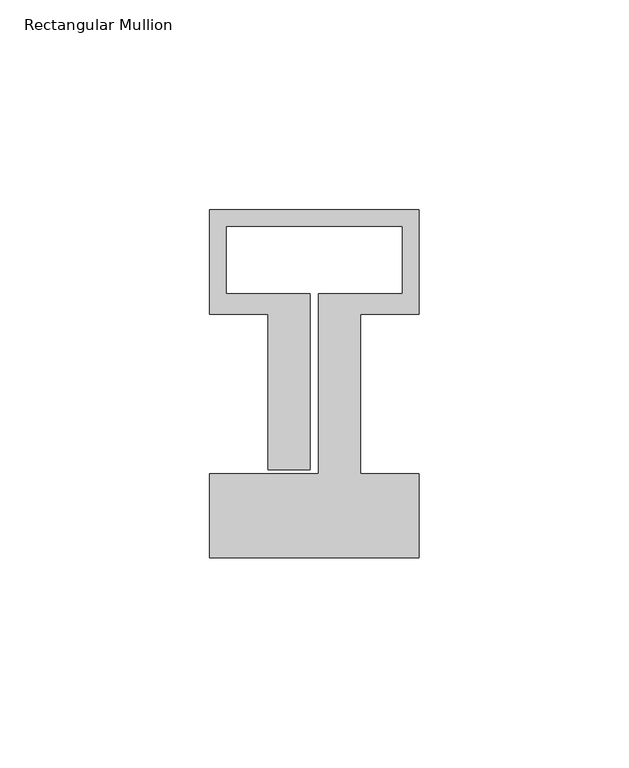
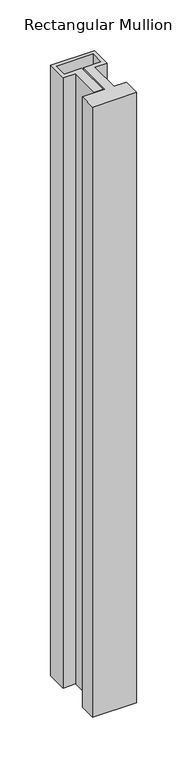
"""IFC4 building model written with IfcOpenShell, lengths in millimetres: member geometry, Rectangular Mullion."""

import ifcopenshell
import ifcopenshell.guid

model = None  # the IFC model being written
_history = None  # IfcOwnerHistory: only IFC2X3 demands one
_inside = {}  # id of a spatial element -> (the spatial element, [elements in it])
_under = {}  # id of a project, library or spatial element -> (it, [spatial elements below it])
_declared = {}  # id of a project -> (the project, [libraries it declares])
_typed = {}  # id of a type object -> (the type object, [elements of that type])
_made_of = {}  # id of a material, layer set ... -> (it, [elements and type objects made of it])


def new_model(schema):
    """Start an empty IFC model of exactly this schema.

    Asked for "IFC4X3", IfcOpenShell would pick the latest addendum, in which some entities
    have other attributes; the version numbers below select the first issue.
    IFC2X3 requires an IfcOwnerHistory on every rooted entity: one is made here for all.
    """
    global model, _history
    if schema == "IFC4X3":
        model = ifcopenshell.file(schema_version=(4, 3, 0, 0))
    else:
        model = ifcopenshell.file(schema=schema)
    _inside.clear()
    _under.clear()
    _declared.clear()
    _typed.clear()
    _made_of.clear()
    _history = None
    if model.schema == "IFC2X3":
        org = make("IfcOrganization", Name="unknown")
        user = make(
            "IfcPersonAndOrganization",
            ThePerson=make("IfcPerson", FamilyName="unknown"),
            TheOrganization=org,
        )
        app = make(
            "IfcApplication",
            ApplicationDeveloper=org,
            Version="unknown",
            ApplicationFullName="unknown",
            ApplicationIdentifier="unknown",
        )
        _history = make(
            "IfcOwnerHistory",
            OwningUser=user,
            OwningApplication=app,
            ChangeAction="ADDED",
            CreationDate=0,
        )
    return model


def make(cls, **values):
    """One entity of the class cls with the attributes given. An attribute that is None is left unset."""
    return model.create_entity(
        cls, **{name: value for name, value in values.items() if value is not None}
    )


def rooted(cls, **values):
    """An entity with a GlobalId (a new one), such as an element, a storey or a relation."""
    return make(cls, GlobalId=ifcopenshell.guid.new(), OwnerHistory=_history, **values)


def si_unit(unit_type, name, prefix=None):
    """IfcSIUnit, for example si_unit("LENGTHUNIT", "METRE", prefix="MILLI")."""
    return make("IfcSIUnit", UnitType=unit_type, Prefix=prefix, Name=name)


def assignment(units):
    """IfcUnitAssignment: the units of a project."""
    return None if units is None else make("IfcUnitAssignment", Units=units)


def point(xyz):
    """IfcCartesianPoint."""
    return None if xyz is None else make("IfcCartesianPoint", Coordinates=xyz)


def direction(xyz):
    """IfcDirection."""
    return None if xyz is None else make("IfcDirection", DirectionRatios=xyz)


def frame(location, z_axis=None, x_axis=None):
    """IfcAxis2Placement3D, a coordinate frame: its origin and axes. An axis left out is left unset."""
    return make(
        "IfcAxis2Placement3D",
        Location=point(location),
        Axis=direction(z_axis),
        RefDirection=direction(x_axis),
    )


def origin():
    """The frame at (0, 0, 0) with its axes left unset."""
    return frame((0.0, 0.0, 0.0))


def place(relative_to, where):
    """IfcLocalPlacement: puts the frame where relative to a parent placement (None: the world)."""
    return make(
        "IfcLocalPlacement", PlacementRelTo=relative_to, RelativePlacement=where
    )


def context(
    kind, dimensions, precision=None, world=None, true_north=None, identifier=None
):
    """IfcGeometricRepresentationContext, for example the 3D "Model" context."""
    return make(
        "IfcGeometricRepresentationContext",
        ContextIdentifier=identifier,
        ContextType=kind,
        CoordinateSpaceDimension=dimensions,
        Precision=precision,
        WorldCoordinateSystem=world,
        TrueNorth=true_north,
    )


def project(units=None, contexts=None):
    """IfcProject with its units and contexts."""
    return rooted(
        "IfcProject",
        Name="project",
        RepresentationContexts=contexts,
        UnitsInContext=assignment(units),
    )


def spatial(cls, under=None, at=None, **own):
    """A site, building, storey or space (cls), placed at a placement, below another one or the project."""
    s = rooted(cls, ObjectPlacement=at, **own)
    if under is not None:
        _under.setdefault(under.id(), (under, []))[1].append(s)
    return s


def polyline(points):
    """IfcPolyline through the points."""
    return make("IfcPolyline", Points=[point(p) for p in points])


def outline(outer, holes=None, kind="AREA"):
    """IfcArbitraryClosedProfileDef: a profile drawn as a closed curve; with holes, ...WithVoids."""
    if holes is None:
        return make("IfcArbitraryClosedProfileDef", ProfileType=kind, OuterCurve=outer)
    return make(
        "IfcArbitraryProfileDefWithVoids",
        ProfileType=kind,
        OuterCurve=outer,
        InnerCurves=holes,
    )


def extrude(swept, where, along, depth):
    """IfcExtrudedAreaSolid: the profile swept, set in the frame where, extruded along a direction by depth."""
    return make(
        "IfcExtrudedAreaSolid",
        SweptArea=swept,
        Position=where,
        ExtrudedDirection=direction(along),
        Depth=depth,
    )


def shape(context_of_items, identifier, shape_type, items):
    """IfcShapeRepresentation: the items that make up one representation, for example the "Body"."""
    return make(
        "IfcShapeRepresentation",
        ContextOfItems=context_of_items,
        RepresentationIdentifier=identifier,
        RepresentationType=shape_type,
        Items=items,
    )


def source(mapping_origin, context_of_items, identifier, shape_type, items):
    """IfcRepresentationMap: a shape defined once, which mapped items show again and again."""
    return make(
        "IfcRepresentationMap",
        MappingOrigin=mapping_origin,
        MappedRepresentation=shape(context_of_items, identifier, shape_type, items),
    )


def transform(
    local_origin,
    x_axis=None,
    y_axis=None,
    z_axis=None,
    scale=None,
    scale2=None,
    scale3=None,
    uniform=True,
):
    """IfcCartesianTransformationOperator3D, or its non-uniform kind. x_axis, y_axis, z_axis: its Axis1, 2, 3."""
    if uniform:
        return make(
            "IfcCartesianTransformationOperator3D",
            Axis1=direction(x_axis),
            Axis2=direction(y_axis),
            LocalOrigin=point(local_origin),
            Scale=scale,
            Axis3=direction(z_axis),
        )
    return make(
        "IfcCartesianTransformationOperator3DnonUniform",
        Axis1=direction(x_axis),
        Axis2=direction(y_axis),
        LocalOrigin=point(local_origin),
        Scale=scale,
        Axis3=direction(z_axis),
        Scale2=scale2,
        Scale3=scale3,
    )


def mapped(mapping_source, mapping_target):
    """IfcMappedItem: shows the shape of a source again, moved by a transform."""
    return make(
        "IfcMappedItem", MappingSource=mapping_source, MappingTarget=mapping_target
    )


def made_of(thing, what):
    """Note that an element or type object is made of a material, layer set ...; save() writes the relation."""
    if what is not None:
        _made_of.setdefault(what.id(), (what, []))[1].append(thing)
    return thing


def element(
    cls,
    number,
    at=None,
    inside=None,
    cuts=None,
    type_object=None,
    material=None,
    context=None,
    identifier="Body",
    shape_type=None,
    held_by="IfcProductDefinitionShape",
    body=None,
    shapes=None,
    **own,
):
    """One element of the class cls, such as IfcWall. Its Tag is "e" and its number.

    at: its placement. inside: the storey or other place that contains it. cuts: it is an
    opening in that element (IfcRelVoidsElement). A single representation is given by context,
    identifier, shape_type and body (its items); several are given by shapes. held_by: the class
    of the entity that holds the representations. save() writes the other relations.
    """
    e = rooted(cls, Tag="e%d" % number, ObjectPlacement=at, **own)
    if body is not None:
        shapes = [shape(context, identifier, shape_type, body)]
    if shapes is not None:
        e.Representation = make(held_by, Representations=shapes)
    if inside is not None:
        _inside.setdefault(inside.id(), (inside, []))[1].append(e)
    if cuts is not None:
        rooted(
            "IfcRelVoidsElement", RelatingBuildingElement=cuts, RelatedOpeningElement=e
        )
    if type_object is not None:
        _typed.setdefault(type_object.id(), (type_object, []))[1].append(e)
    return made_of(e, material)


def aggregate(whole, parts):
    """IfcRelAggregates: a whole, such as a stair, and the parts it consists of."""
    return rooted("IfcRelAggregates", RelatingObject=whole, RelatedObjects=parts)


def save(model, path):
    """Write the relations noted so far, then the file.

    IfcRelAggregates (storeys below a building ...), IfcRelContainedInSpatialStructure (elements
    in a storey), IfcRelDefinesByType, IfcRelAssociatesMaterial and IfcRelDeclares: one each for
    every whole, place, type object, material and project.
    """
    for whole, parts in _under.values():
        aggregate(whole, parts)
    for where, things in _inside.values():
        rooted(
            "IfcRelContainedInSpatialStructure",
            RelatedElements=things,
            RelatingStructure=where,
        )
    for kind, things in _typed.values():
        rooted("IfcRelDefinesByType", RelatedObjects=things, RelatingType=kind)
    for what, things in _made_of.values():
        rooted("IfcRelAssociatesMaterial", RelatedObjects=things, RelatingMaterial=what)
    for by, libraries in _declared.values():
        rooted("IfcRelDeclares", RelatingContext=by, RelatedDefinitions=libraries)
    model.write(path)


def rectangular_mullion_c51c2970(model_context):
    return source(origin(), model_context, "Body", "SweptSolid", [
        extrude(outline(polyline([(25.0, -58.0), (-25.0, -58.0), (-25.0, -38.0), (1.0, -38.0), (1.0, 5.0), (21.0, 5.0), (21.0, 21.0), (-21.0, 21.0), (-21.0, 5.0), (-1.0, 5.0), (-1.0, -37.0), (-11.0, -37.0), (-11.0, 0.1), (-25.0, 0.1), (-25.0, 25.0), (25.0, 25.0), (25.0, 0.1), (11.0, 0.1), (11.0, -38.0), (25.0, -38.0), (25.0, -58.0)])), frame((0.0, 0.0, -735.0), z_axis=(0.0, 0.0, 1.0), x_axis=(1.0, 0.0, 0.0)), (0.0, 0.0, 1.0), 735.0),
    ])


if __name__ == "__main__":
    model = new_model("IFC4")
    model_context = context("Model", 3, world=origin())
    ifc_project = project(units=[si_unit("LENGTHUNIT", "METRE", prefix="MILLI")], contexts=[model_context])
    site = spatial("IfcSite", under=ifc_project)
    building = spatial("IfcBuilding", under=site)
    placement = place(None, origin())
    rectangular_mullion_shape = rectangular_mullion_c51c2970(model_context)
    element("IfcMember", 1, ObjectType="Rectangular Mullion", at=placement, inside=building, context=model_context, shape_type="MappedRepresentation", body=[
        mapped(rectangular_mullion_shape, transform((0.0, 0.0, 0.0), x_axis=(1.0, 0.0, 0.0), y_axis=(0.0, 1.0, 0.0), z_axis=(0.0, 0.0, 1.0))),
    ])
    save(model, "model.ifc")
